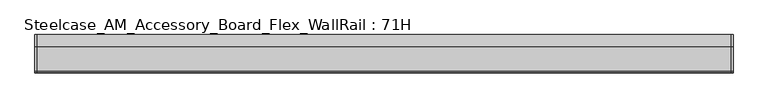
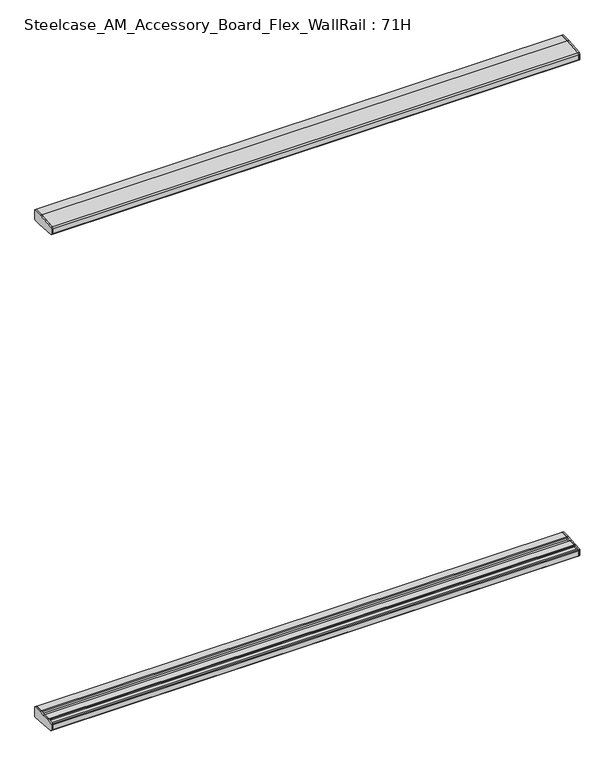
"""IFC4 building model written with IfcOpenShell, lengths in millimetres: furniture geometry, Steelcase_AM_Accessory_Board_Flex_WallRail : 71H."""

from ifc_helpers import new_model, si_unit, frame, origin, place, context, project, spatial, polyline, outline, extrude, source, transform, mapped, element, save


def steelcase_am_accessory_board_flex_wallrail_71h_474cf7ee(model_context):
    return source(origin(), model_context, "Body", "SweptSolid", [
        extrude(outline(polyline([(-29.748384, 494.399958), (-2.0015978, 494.399958), (0.0, 492.39833), (0.0, 457.2), (-31.7483991, 457.2), (-95.5653908, 462.6914284), (-99.9999601, 467.5239814), (-99.9999601, 486.7480995), (-98.0172056, 488.9021347), (-73.1435844, 490.9657693), (-50.3978144, 493.0470375), (-29.748384, 494.399958)])), frame((1828.8000087, 0.0, 0.0), z_axis=(1.0, 0.0, 0.0), x_axis=(0.0, 1.0, 0.0)), (0.0, 0.0, 1.0), 4.9857422),
        extrude(outline(polyline([(-29.748384, 2278.9875964), (-50.3978144, 2280.3405169), (-73.1435844, 2282.4217851), (-98.0172056, 2284.4854198), (-99.9999601, 2286.639455), (-99.9999601, 2305.8635731), (-95.5653908, 2310.6961261), (-31.7483991, 2316.1875545), (0.0, 2316.1875545), (0.0, 2280.9892245), (-2.0015978, 2278.9875964), (-29.748384, 2278.9875964)])), frame((1828.8000087, 0.0, 0.0), z_axis=(1.0, 0.0, 0.0), x_axis=(0.0, 1.0, 0.0)), (0.0, 0.0, 1.0), 4.9857422),
        extrude(outline(polyline([(-29.748384, 494.399958), (-2.0015978, 494.399958), (0.0, 492.39833), (0.0, 457.2), (-31.7483991, 457.2), (-95.5653908, 462.6914284), (-99.9999601, 467.5239814), (-99.9999601, 486.7480995), (-98.0172056, 488.9021347), (-73.1435844, 490.9657693), (-50.3978144, 493.0470375), (-29.748384, 494.399958)])), frame((0.0, 0.0, 0.0), z_axis=(1.0, 0.0, 0.0), x_axis=(0.0, 1.0, 0.0)), (0.0, 0.0, 1.0), 4.9857422),
        extrude(outline(polyline([(-29.748384, 2278.9875964), (-50.3978144, 2280.3405169), (-73.1435844, 2282.4217851), (-98.0172056, 2284.4854198), (-99.9999601, 2286.639455), (-99.9999601, 2305.8635731), (-95.5653908, 2310.6961261), (-31.7483991, 2316.1875545), (0.0, 2316.1875545), (0.0, 2280.9892245), (-2.0015978, 2278.9875964), (-29.748384, 2278.9875964)])), frame((0.0, 0.0, 0.0), z_axis=(1.0, 0.0, 0.0), x_axis=(0.0, 1.0, 0.0)), (0.0, 0.0, 1.0), 4.9857422),
        extrude(outline(polyline([(0.0, 492.39833), (0.0, 457.2), (-31.7483991, 457.2), (-95.5653908, 462.6914284), (-99.9999606, 467.5239822), (-99.9999598, 486.7480995), (-98.0172056, 488.9021347), (-93.9826847, 489.2368579), (-91.9999743, 487.4118187), (-91.9999735, 484.9937772), (-75.1383227, 484.9937772), (-75.1383233, 488.7986526), (-73.1435844, 490.9657693), (-50.3978144, 493.0470375), (-48.4030258, 491.016882), (-48.4030258, 484.9937772), (-31.7499758, 484.9937772), (-31.7499758, 492.398336), (-29.748384, 494.399958), (-2.0015978, 494.399958), (0.0, 492.39833)])), frame((4.9857422, 0.0, 0.0), z_axis=(1.0, 0.0, 0.0), x_axis=(0.0, 1.0, 0.0)), (0.0, 0.0, 1.0), 1823.8142666),
        extrude(outline(polyline([(0.0, 2280.9892245), (-2.0015978, 2278.9875964), (-29.748384, 2278.9875964), (-31.7499758, 2280.9892185), (-31.7499758, 2288.3937772), (-48.4030258, 2288.3937772), (-48.4030258, 2282.3706725), (-50.3978144, 2280.3405169), (-73.1435844, 2282.4217851), (-75.1383233, 2284.5889019), (-75.1383227, 2288.3937772), (-91.9999735, 2288.3937772), (-91.9999743, 2285.9757358), (-93.9826847, 2284.1506966), (-98.0172056, 2284.4854198), (-99.9999601, 2286.6394553), (-99.9999601, 2305.8635728), (-95.5653908, 2310.6961261), (-31.7483991, 2316.1875545), (0.0, 2316.1875545), (0.0, 2280.9892245)])), frame((4.9857422, 0.0, 0.0), z_axis=(1.0, 0.0, 0.0), x_axis=(0.0, 1.0, 0.0)), (0.0, 0.0, 1.0), 1823.8142666),
    ])


if __name__ == "__main__":
    model = new_model("IFC4")
    model_context = context("Model", 3, world=origin())
    ifc_project = project(units=[si_unit("LENGTHUNIT", "METRE", prefix="MILLI")], contexts=[model_context])
    site = spatial("IfcSite", under=ifc_project)
    building = spatial("IfcBuilding", under=site)
    placement = place(None, origin())
    steelcase_am_accessory_board_flex_wallrail_71h_shape = steelcase_am_accessory_board_flex_wallrail_71h_474cf7ee(model_context)
    element("IfcFurniture", 1, ObjectType="Steelcase_AM_Accessory_Board_Flex_WallRail : 71H", at=placement, inside=building, context=model_context, shape_type="MappedRepresentation", body=[
        mapped(steelcase_am_accessory_board_flex_wallrail_71h_shape, transform((0.0, 0.0, 0.0), x_axis=(1.0, 0.0, 0.0), y_axis=(0.0, 1.0, 0.0), z_axis=(0.0, 0.0, 1.0))),
    ])
    save(model, "model.ifc")
